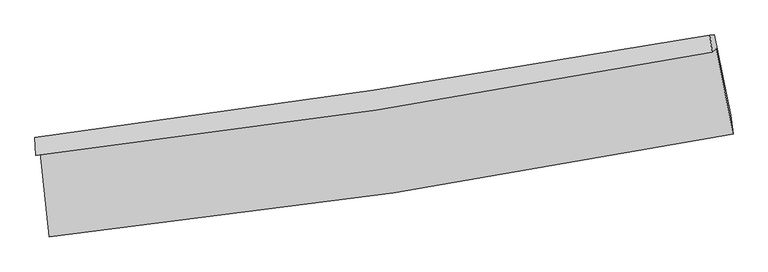
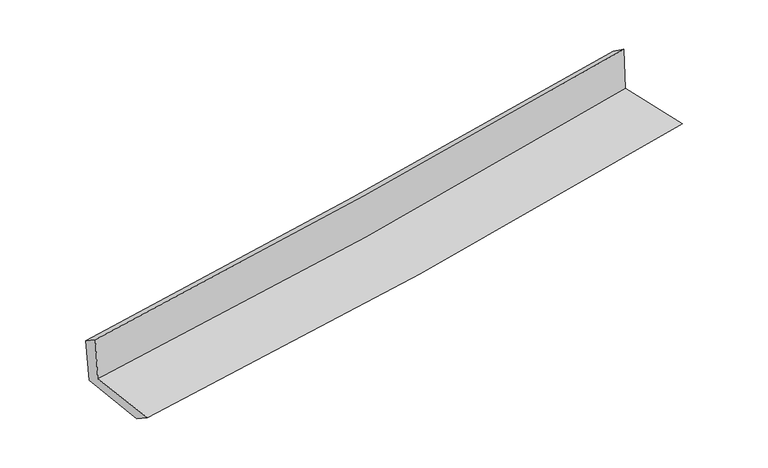
"""IFC4 building model written with IfcOpenShell, lengths in millimetres: proxy geometry."""

from ifc_helpers import new_model, si_unit, frame, origin, place, context, project, spatial, source, transform, mapped, element, save
from ifc_brep_helpers import plane_surface, spline_curve, spline_surface, advanced_brep


def generic_models_6fe3414d(model_context):
    return source(origin(), model_context, "Body", "AdvancedBrep", [
        advanced_brep(
        [(-2702.5525676, -1883.7187096, 1642.7373287), (-2628.8939054, -2551.430858, 1640.9282316), (2775.9512161, -1735.4704678, 2125.2863898), (2642.2485313, -1061.4858311, 2106.5021441), (-2736.2632386, -1905.578271, 2050.5500985), (2610.4836442, -1088.0645862, 2514.6360268), (-2743.6634936, -1763.9460346, 1958.0737998), (2591.9163172, -953.2906011, 2421.0288117), (-2708.3304388, -1761.7259973, 1556.3520783), (2627.9098002, -950.7817071, 2019.5747598), (-2637.2523081, -2391.1150407, 1536.0488285), (2756.5499359, -1584.0435682, 2004.0508098)],
        [
            (0, 1),
            (1, 2, spline_curve(3, [(-2628.8939054, -2551.430858, 1640.9282316), (-1719.490940418, -2456.174166979, 1723.613710589), (-812.928354461, -2340.260675466, 1805.448295448), (988.649931373, -2068.006579262, 1966.890003995), (1883.702385827, -1911.933274287, 2046.508138893), (2775.9512161, -1735.4704678, 2125.2863898)], [4, 2, 4], [0.0, 8.984151920566838, 17.9099870425309])),
            (2, 3),
            (3, 0, spline_curve(3, [(2642.2485313, -1061.4858311, 2106.5021441), (1760.284435934, -1233.326973751, 2026.148736193), (875.362229602, -1387.601231412, 1947.445412853), (-906.199356816, -1661.909153589, 1792.835508863), (-1802.877516839, -1781.712521718, 1716.950560466), (-2702.5525676, -1883.7187096, 1642.7373287)], [4, 2, 4], [0.0, 8.925835121964063, 17.9099870425309])),
            (4, 0),
            (3, 5),
            (5, 4, spline_curve(3, [(2610.4836442, -1088.0645862, 2514.6360268), (1727.05337767, -1258.142290827, 2444.347081574), (841.234604345, -1411.141249758, 2370.665789385), (-940.983044165, -1683.869707741, 2216.01495265), (-1837.413231547, -1803.375310635, 2135.000935192), (-2736.2632386, -1905.578271, 2050.5500985)], [4, 2, 4], [0.0, 8.87741309961462, 17.812826633336513])),
            (6, 4),
            (5, 7),
            (7, 6, spline_curve(3, [(2591.9163172, -953.2906011, 2421.0288117), (1708.669839613, -1107.48627857, 2344.524217772), (823.867798635, -1251.950561544, 2267.818612218), (-954.638411824, -1522.296614595, 2113.502910251), (-1848.36297482, -1648.050809334, 2035.890178233), (-2743.6634936, -1763.9460346, 1958.0737998)], [4, 2, 4], [0.0, 8.867730376900226, 17.79339792599635])),
            (8, 6),
            (7, 9),
            (9, 8, spline_curve(3, [(2627.9098002, -950.7817071, 2019.5747598), (1745.31310133, -1108.23620738, 1940.041135362), (860.78232993, -1254.359122485, 1861.793922588), (-917.93906137, -1524.822439277, 1707.369497467), (-1812.155036216, -1649.014287525, 1631.209149858), (-2708.3304388, -1761.7259973, 1556.3520783)], [4, 2, 4], [0.0, 8.857831318448088, 17.77353513375467])),
            (10, 8),
            (9, 11),
            (11, 10, spline_curve(3, [(2756.5499359, -1584.0435682, 2004.0508098), (1865.895402889, -1754.62367219, 1923.176014422), (972.556949384, -1907.010121933, 1843.860347084), (-825.341946593, -2176.272458712, 1687.839246829), (-1729.937574439, -2292.909833126, 1611.154253896), (-2637.2523081, -2391.1150407, 1536.0488285)], [4, 2, 4], [0.0, 8.905451719858485, 17.869087063693595])),
            (1, 10),
            (11, 2),
        ],
        [
            spline_surface(3, 3, [[(-2702.5525676, -1883.7187096, 1642.7373287), (-1802.877516782, -1781.712521719, 1716.950560572), (-906.199356855, -1661.909153472, 1792.835508928), (875.362229641, -1387.601231528, 1947.445412789), (1760.284435999, -1233.326973609, 2026.148736184), (2642.2485313, -1061.4858311, 2106.5021441)], [(-2677.999680197, -2106.289425705, 1642.134296349), (-1775.081991352, -2006.533070097, 1719.171610638), (-875.10902275, -1888.026327437, 1797.039771038), (913.124796897, -1614.403014137, 1953.926943216), (1801.423752643, -1459.529073785, 2032.935203759), (2686.816092891, -1286.147376665, 2112.763559324)], [(-2653.446792803, -2328.860141895, 1641.531263951), (-1747.28646593, -2231.353618559, 1721.392660658), (-844.018688624, -2114.143501404, 1801.244033205), (950.887364175, -1841.204796749, 1960.4084737), (1842.563069314, -1685.731173966, 2039.721671362), (2731.383654509, -1510.808922235, 2119.024974576)], [(-2628.8939054, -2551.430858, 1640.9282316), (-1719.4909405, -2456.174166937, 1723.613710724), (-812.92835452, -2340.260675369, 1805.448295316), (988.649931431, -2068.006579358, 1966.890004127), (1883.702385959, -1911.933274142, 2046.508138936), (2775.9512161, -1735.4704678, 2125.2863898)]], [4, 4], [4, 2, 4], [0.0, 2.255097703968896], [0.0, 8.984151920566838, 17.9099870425309]),
            spline_surface(3, 3, [[(-2736.2632386, -1905.578271, 2050.5500985), (-1837.413231663, -1803.375310555, 2135.000935152), (-940.983044124, -1683.869707783, 2216.014952546), (841.234604304, -1411.141249716, 2370.665789489), (1727.053377711, -1258.142290925, 2444.347081525), (2610.4836442, -1088.0645862, 2514.6360268)], [(-2725.026348265, -1898.291750532, 1914.612508545), (-1825.901326701, -1796.154380942, 1995.65081027), (-929.388481694, -1676.549523033, 2074.955138004), (852.610479424, -1403.294577007, 2229.592330587), (1738.130397156, -1249.870518503, 2304.94763308), (2621.071939915, -1079.205001183, 2378.591399235)], [(-2713.789457935, -1891.005230068, 1778.674918655), (-1814.389421744, -1788.933451332, 1856.300685454), (-917.793919285, -1669.229338223, 1933.895323469), (863.986354521, -1395.447904237, 2088.518871691), (1749.207416554, -1241.598746031, 2165.54818463), (2631.660235585, -1070.345416117, 2242.546771665)], [(-2702.5525676, -1883.7187096, 1642.7373287), (-1802.877516782, -1781.712521719, 1716.950560572), (-906.199356855, -1661.909153472, 1792.835508928), (875.362229641, -1387.601231528, 1947.445412789), (1760.284435999, -1233.326973609, 2026.148736184), (2642.2485313, -1061.4858311, 2106.5021441)]], [4, 4], [4, 2, 4], [0.0, 1.3950422701440948], [0.0, 8.935413533721894, 17.812826633336513]),
            spline_surface(3, 3, [[(-2743.6634936, -1763.9460346, 1958.0737998), (-1848.362974743, -1648.050809324, 2035.890178338), (-954.638411951, -1522.296614587, 2113.502910179), (823.867798761, -1251.950561552, 2267.818612289), (1708.669839557, -1107.48627844, 2344.524217745), (2591.9163172, -953.2906011, 2421.0288117)], [(-2741.196741926, -1811.156780096, 1988.899232708), (-1844.713060375, -1699.825643097, 2068.927097283), (-950.086622691, -1576.154312299, 2147.673590983), (829.656733927, -1305.014124253, 2302.101004704), (1714.797685604, -1157.704949271, 2377.79850568), (2598.105426195, -998.215262803, 2452.231216741)], [(-2738.729990274, -1858.367525504, 2019.724665592), (-1841.063146031, -1751.600476782, 2101.964016206), (-945.534833384, -1630.012010071, 2181.844271742), (835.445669138, -1358.077687015, 2336.383397074), (1720.925531664, -1207.923620093, 2411.072793591), (2604.294535205, -1043.139924497, 2483.433621759)], [(-2736.2632386, -1905.578271, 2050.5500985), (-1837.413231663, -1803.375310555, 2135.000935152), (-940.983044124, -1683.869707783, 2216.014952546), (841.234604304, -1411.141249716, 2370.665789489), (1727.053377711, -1258.142290925, 2444.347081525), (2610.4836442, -1088.0645862, 2514.6360268)]], [4, 4], [4, 2, 4], [0.0, 0.6268708879539829], [0.0, 8.925667549096122, 17.79339792599635]),
            spline_surface(3, 3, [[(-2708.3304388, -1761.7259973, 1556.3520783), (-1812.155036327, -1649.014287451, 1631.209149929), (-917.939061376, -1524.822439155, 1707.369497578), (860.782329936, -1254.359122606, 1861.793922478), (1745.313101319, -1108.236207479, 1940.04113535), (2627.9098002, -950.7817071, 2019.5747598)], [(-2720.108123748, -1762.46600973, 1690.25931879), (-1824.224349147, -1648.693128072, 1766.102826056), (-930.172178236, -1523.980497649, 1842.74730179), (848.477486209, -1253.556268938, 1997.135485759), (1733.098680724, -1107.986231125, 2074.868829484), (2615.911972526, -951.618005093, 2153.392777102)], [(-2731.885808652, -1763.20602217, 1824.16655931), (-1836.293661923, -1648.371968703, 1900.996502211), (-942.405295091, -1523.138556093, 1978.125105968), (836.172642488, -1252.75341522, 2132.477049008), (1720.884260152, -1107.736254793, 2209.696523611), (2603.914144874, -952.454303107, 2287.210794398)], [(-2743.6634936, -1763.9460346, 1958.0737998), (-1848.362974743, -1648.050809324, 2035.890178338), (-954.638411951, -1522.296614587, 2113.502910179), (823.867798761, -1251.950561552, 2267.818612289), (1708.669839557, -1107.48627844, 2344.524217745), (2591.9163172, -953.2906011, 2421.0288117)]], [4, 4], [4, 2, 4], [0.0, 1.3377671713746242], [0.0, 8.915703815306582, 17.77353513375467]),
            spline_surface(3, 3, [[(-2637.2523081, -2391.1150407, 1536.0488285), (-1729.937574399, -2292.90983317, 1611.154253932), (-825.341946647, -2176.272458661, 1687.839246921), (972.556949437, -1907.010121984, 1843.860346993), (1865.895402976, -1754.623672321, 1923.176014416), (2756.5499359, -1584.0435682, 2004.0508098)], [(-2660.945018313, -2181.318692893, 1542.816578447), (-1757.343395022, -2078.277984591, 1617.839219278), (-856.207651536, -1959.122452163, 1694.349330458), (935.298742957, -1689.459788861, 1849.838205472), (1825.701302421, -1539.161184042, 1928.797721387), (2713.669890664, -1372.956281169, 2009.225459793)], [(-2684.637728587, -1971.522345107, 1549.584328353), (-1784.749215705, -1863.646136031, 1624.524184583), (-887.073356486, -1741.972445654, 1700.859414042), (898.040536416, -1471.909455728, 1855.816063999), (1785.507201874, -1323.698695757, 1934.419428379), (2670.789845436, -1161.868994131, 2014.400109807)], [(-2708.3304388, -1761.7259973, 1556.3520783), (-1812.155036327, -1649.014287451, 1631.209149929), (-917.939061376, -1524.822439155, 1707.369497578), (860.782329936, -1254.359122606, 1861.793922478), (1745.313101319, -1108.236207479, 1940.04113535), (2627.9098002, -950.7817071, 2019.5747598)]], [4, 4], [4, 2, 4], [0.0, 2.166211027985191], [0.0, 8.96363534383511, 17.869087063693595]),
            spline_surface(3, 3, [[(-2628.8939054, -2551.430858, 1640.9282316), (-1719.4909405, -2456.174166937, 1723.613710724), (-812.92835452, -2340.260675369, 1805.448295316), (988.649931431, -2068.006579358, 1966.890004127), (1883.702385959, -1911.933274142, 2046.508138936), (2775.9512161, -1735.4704678, 2125.2863898)], [(-2631.680039651, -2497.992252243, 1605.968430561), (-1722.973151817, -2401.752722358, 1686.127225121), (-817.066218565, -2285.597936446, 1766.245279196), (983.285604096, -2014.341093547, 1925.880118427), (1877.766724973, -1859.496740188, 2005.397430768), (2769.484122708, -1684.994834587, 2084.874529805)], [(-2634.466173849, -2444.553646457, 1571.008629539), (-1726.455363082, -2347.331277749, 1648.640739535), (-821.204082601, -2230.935197583, 1727.042263041), (977.921276771, -1960.675607795, 1884.870232692), (1871.831063962, -1807.060206274, 1964.286722585), (2763.017029292, -1634.519201413, 2044.462669795)], [(-2637.2523081, -2391.1150407, 1536.0488285), (-1729.937574399, -2292.90983317, 1611.154253932), (-825.341946647, -2176.272458661, 1687.839246921), (972.556949437, -1907.010121984, 1843.860346993), (1865.895402976, -1754.623672321, 1923.176014416), (2756.5499359, -1584.0435682, 2004.0508098)]], [4, 4], [4, 2, 4], [0.0, 0.6649850413903936], [0.0, 9.022374402689634, 17.986183901801002]),
            plane_surface(frame((2667.5099075, -1228.8561269, 2198.513157), z_axis=(0.9765372747588329, 0.19619635122194906, 0.08878030622714385), x_axis=(-0.08929786012022059, -0.006224428554181576, 0.9959855162938483))),
            plane_surface(frame((-2692.825992, -2042.9191519, 1730.7817276), z_axis=(-0.990167051503524, -0.10899268204289009, -0.08769153538349686), x_axis=(-0.10964942860094984, 0.9939666746372008, 0.0026930499717526747))),
        ],
        [
            (0, [[1, 2, 3, 4]]),
            (1, [[5, -4, 6, 7]]),
            (2, [[8, -7, 9, 10]]),
            (3, [[11, -10, 12, 13]]),
            (4, [[14, -13, 15, 16]]),
            (5, [[17, -16, 18, -2]]),
            (6, [[-12, -9, -6, -3, -18, -15]]),
            (7, [[-1, -5, -8, -11, -14, -17]]),
        ],
    ),
    ])


if __name__ == "__main__":
    model = new_model("IFC4")
    model_context = context("Model", 3, world=origin())
    ifc_project = project(units=[si_unit("LENGTHUNIT", "METRE", prefix="MILLI")], contexts=[model_context])
    site = spatial("IfcSite", under=ifc_project)
    building = spatial("IfcBuilding", under=site)
    placement = place(None, origin())
    generic_models_shape = generic_models_6fe3414d(model_context)
    element("IfcBuildingElementProxy", 1, Name="Generic Models", at=placement, inside=building, context=model_context, shape_type="MappedRepresentation", body=[
        mapped(generic_models_shape, transform((0.0, 0.0, 0.0), x_axis=(1.0, 0.0, 0.0), y_axis=(0.0, 1.0, 0.0), z_axis=(0.0, 0.0, 1.0))),
    ])
    save(model, "model.ifc")
